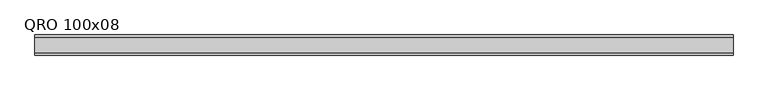
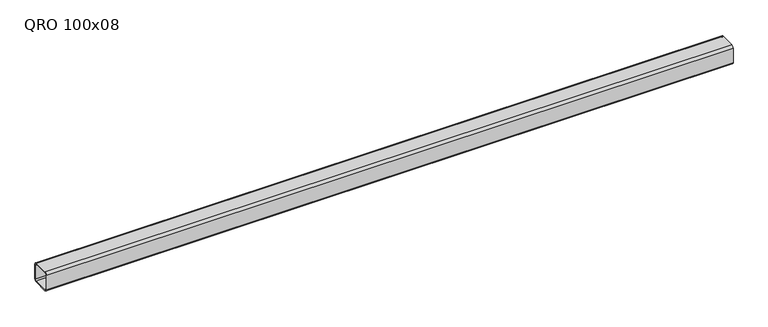
"""IFC4 building model written with IfcOpenShell, lengths in millimetres: beam geometry, QRO 100x08."""

from ifc_helpers import new_model, si_unit, point, frame, frame_2d, origin, place, context, project, spatial, polyline, circle_curve, trimmed, segment, composite_curve, outline, extrude, source, transform, mapped, element, save


def qro_100x08_1b3b8d6c(model_context):
    return source(origin(), model_context, "Body", "SweptSolid", [
        extrude(outline(composite_curve([segment(polyline([(50.0, 38.0), (50.0, -38.0)]), True, "CONTINUOUS"), segment(trimmed(circle_curve(frame_2d((38.0, -38.0)), 12.0), [point((50.0, -38.0))], [point((38.0, -50.0))], False, "CARTESIAN"), True, "CONTINUOUS"), segment(polyline([(38.0, -50.0), (-38.0, -50.0)]), True, "CONTINUOUS"), segment(trimmed(circle_curve(frame_2d((-38.0, -38.0)), 12.0), [point((-38.0, -50.0))], [point((-50.0, -38.0))], False, "CARTESIAN"), True, "CONTINUOUS"), segment(polyline([(-50.0, -38.0), (-50.0, 38.0)]), True, "CONTINUOUS"), segment(trimmed(circle_curve(frame_2d((-38.0, 38.0)), 12.0), [point((-50.0, 38.0))], [point((-38.0, 50.0))], False, "CARTESIAN"), True, "CONTINUOUS"), segment(polyline([(-38.0, 50.0), (38.0, 50.0)]), True, "CONTINUOUS"), segment(trimmed(circle_curve(frame_2d((38.0, 38.0)), 12.0), [point((38.0, 50.0))], [point((50.0, 38.0))], False, "CARTESIAN"), True, "CONTINUOUS")], self_intersect=False), holes=[composite_curve([segment(trimmed(circle_curve(frame_2d((-38.0, 38.0)), 6.0), [point((-38.0, 44.0))], [point((-44.0, 38.0))], True, "CARTESIAN"), True, "CONTINUOUS"), segment(polyline([(-44.0, 38.0), (-44.0, -38.0)]), True, "CONTINUOUS"), segment(trimmed(circle_curve(frame_2d((-38.0, -38.0)), 6.0), [point((-44.0, -38.0))], [point((-38.0, -44.0))], True, "CARTESIAN"), True, "CONTINUOUS"), segment(polyline([(-38.0, -44.0), (38.0, -44.0)]), True, "CONTINUOUS"), segment(trimmed(circle_curve(frame_2d((38.0, -38.0)), 6.0), [point((38.0, -44.0))], [point((44.0, -38.0))], True, "CARTESIAN"), True, "CONTINUOUS"), segment(polyline([(44.0, -38.0), (44.0, 38.0)]), True, "CONTINUOUS"), segment(trimmed(circle_curve(frame_2d((38.0, 38.0)), 6.0), [point((44.0, 38.0))], [point((38.0, 44.0))], True, "CARTESIAN"), True, "CONTINUOUS"), segment(polyline([(38.0, 44.0), (-38.0, 44.0)]), True, "CONTINUOUS")], self_intersect=False)]), frame((-1736.2393799, 0.0, 0.0), z_axis=(1.0, 0.0, 0.0), x_axis=(0.0, 1.0, 0.0)), (0.0, 0.0, 1.0), 3472.4787597),
    ])


if __name__ == "__main__":
    model = new_model("IFC4")
    model_context = context("Model", 3, world=origin())
    ifc_project = project(units=[si_unit("LENGTHUNIT", "METRE", prefix="MILLI")], contexts=[model_context])
    site = spatial("IfcSite", under=ifc_project)
    building = spatial("IfcBuilding", under=site)
    placement = place(None, origin())
    qro_100x08_shape = qro_100x08_1b3b8d6c(model_context)
    element("IfcBeam", 1, ObjectType="QRO 100x08", at=placement, inside=building, context=model_context, shape_type="MappedRepresentation", body=[
        mapped(qro_100x08_shape, transform((0.0, 0.0, 0.0), x_axis=(1.0, 0.0, 0.0), y_axis=(0.0, 1.0, 0.0), z_axis=(0.0, 0.0, 1.0))),
    ])
    save(model, "model.ifc")
